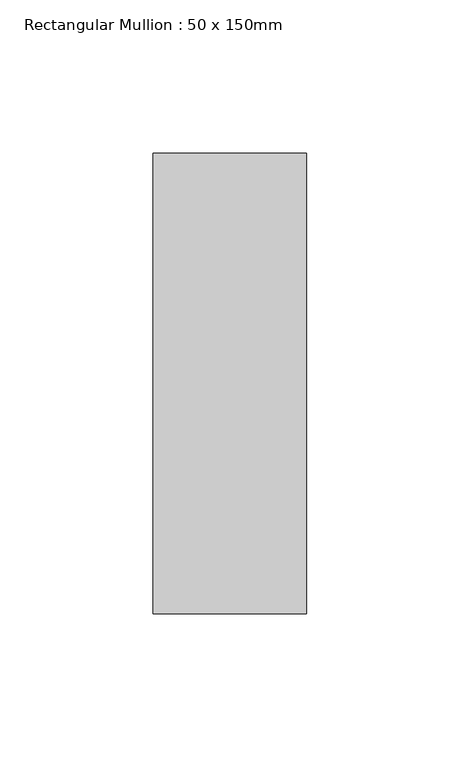
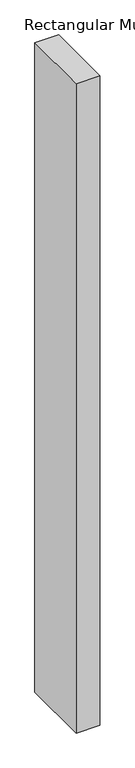
"""IFC4 building model written with IfcOpenShell, lengths in millimetres: member geometry, Rectangular Mullion : 50 x 150mm."""

from ifc_helpers import new_model, si_unit, frame, origin, place, context, project, spatial, polyline, outline, extrude, source, transform, mapped, element, save


def rectangular_mullion_50_x_150mm_a5c4126b(model_context):
    return source(origin(), model_context, "Body", "SweptSolid", [
        extrude(outline(polyline([(25.0, 75.0), (25.0, -75.0), (-25.0, -75.0), (-25.0, 75.0), (25.0, 75.0)])), frame((0.0, 0.0, -1443.8936749), z_axis=(0.0, 0.0, 1.0), x_axis=(1.0, 0.0, 0.0)), (0.0, 0.0, 1.0), 1443.8936749),
    ])


if __name__ == "__main__":
    model = new_model("IFC4")
    model_context = context("Model", 3, world=origin())
    ifc_project = project(units=[si_unit("LENGTHUNIT", "METRE", prefix="MILLI")], contexts=[model_context])
    site = spatial("IfcSite", under=ifc_project)
    building = spatial("IfcBuilding", under=site)
    placement = place(None, origin())
    rectangular_mullion_50_x_150mm_shape = rectangular_mullion_50_x_150mm_a5c4126b(model_context)
    element("IfcMember", 1, ObjectType="Rectangular Mullion : 50 x 150mm", at=placement, inside=building, context=model_context, shape_type="MappedRepresentation", body=[
        mapped(rectangular_mullion_50_x_150mm_shape, transform((0.0, 0.0, 0.0), x_axis=(1.0, 0.0, 0.0), y_axis=(0.0, 1.0, 0.0), z_axis=(0.0, 0.0, 1.0))),
    ])
    save(model, "model.ifc")
